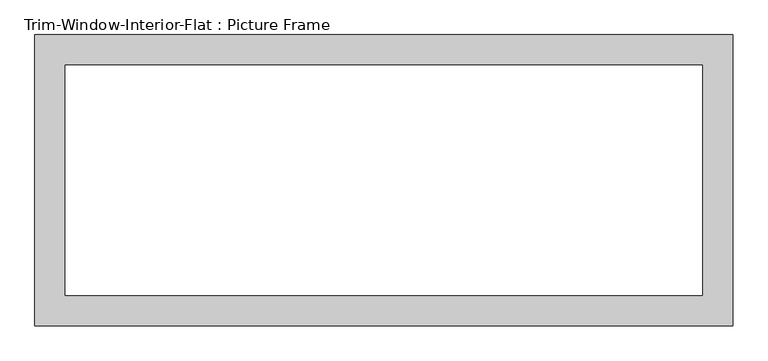
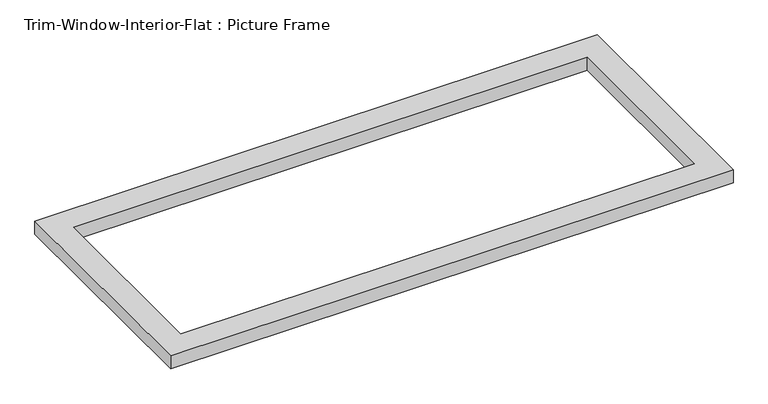
"""IFC4 building model written with IfcOpenShell, lengths in millimetres: proxy geometry, Trim-Window-Interior-Flat : Picture Frame."""

from ifc_helpers import new_model, si_unit, origin, origin_with_axes, place, context, project, spatial, polyline, outline, extrude, source, transform, mapped, element, save


def trim_window_interior_flat_picture_frame_705611d3(model_context):
    return source(origin(), model_context, "Body", "SweptSolid", [
        extrude(outline(polyline([(654.05, 44.45), (654.05, -501.65), (-654.05, -501.65), (-654.05, 44.45), (654.05, 44.45)]), holes=[polyline([(596.9, -12.7), (-596.9, -12.7), (-596.9, -444.5), (596.9, -444.5), (596.9, -12.7)])]), origin_with_axes(), (0.0, 0.0, 1.0), 31.75),
    ])


if __name__ == "__main__":
    model = new_model("IFC4")
    model_context = context("Model", 3, world=origin())
    ifc_project = project(units=[si_unit("LENGTHUNIT", "METRE", prefix="MILLI")], contexts=[model_context])
    site = spatial("IfcSite", under=ifc_project)
    building = spatial("IfcBuilding", under=site)
    placement = place(None, origin())
    trim_window_interior_flat_picture_frame_shape = trim_window_interior_flat_picture_frame_705611d3(model_context)
    element("IfcBuildingElementProxy", 1, Name="Trim-Window-Interior-Flat : Picture Frame", ObjectType="Trim-Window-Interior-Flat : Picture Frame", at=placement, inside=building, context=model_context, shape_type="MappedRepresentation", body=[
        mapped(trim_window_interior_flat_picture_frame_shape, transform((0.0, 0.0, 0.0), x_axis=(1.0, 0.0, 0.0), y_axis=(0.0, 1.0, 0.0), z_axis=(0.0, 0.0, 1.0))),
    ])
    save(model, "model.ifc")
